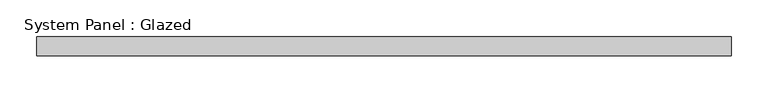
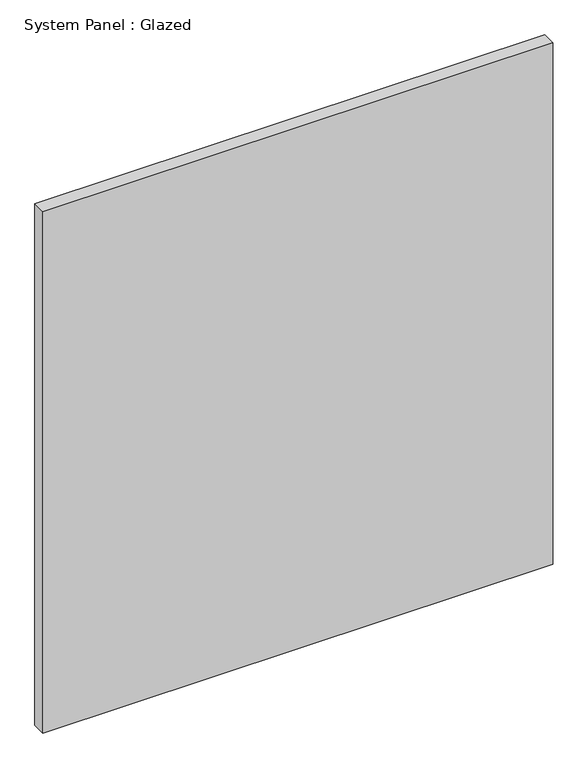
"""IFC4 building model written with IfcOpenShell, lengths in millimetres: plate geometry, System Panel : Glazed."""

import ifcopenshell
import ifcopenshell.guid

model = None  # the IFC model being written
_history = None  # IfcOwnerHistory: only IFC2X3 demands one
_inside = {}  # id of a spatial element -> (the spatial element, [elements in it])
_under = {}  # id of a project, library or spatial element -> (it, [spatial elements below it])
_declared = {}  # id of a project -> (the project, [libraries it declares])
_typed = {}  # id of a type object -> (the type object, [elements of that type])
_made_of = {}  # id of a material, layer set ... -> (it, [elements and type objects made of it])


def new_model(schema):
    """Start an empty IFC model of exactly this schema.

    Asked for "IFC4X3", IfcOpenShell would pick the latest addendum, in which some entities
    have other attributes; the version numbers below select the first issue.
    IFC2X3 requires an IfcOwnerHistory on every rooted entity: one is made here for all.
    """
    global model, _history
    if schema == "IFC4X3":
        model = ifcopenshell.file(schema_version=(4, 3, 0, 0))
    else:
        model = ifcopenshell.file(schema=schema)
    _inside.clear()
    _under.clear()
    _declared.clear()
    _typed.clear()
    _made_of.clear()
    _history = None
    if model.schema == "IFC2X3":
        org = make("IfcOrganization", Name="unknown")
        user = make(
            "IfcPersonAndOrganization",
            ThePerson=make("IfcPerson", FamilyName="unknown"),
            TheOrganization=org,
        )
        app = make(
            "IfcApplication",
            ApplicationDeveloper=org,
            Version="unknown",
            ApplicationFullName="unknown",
            ApplicationIdentifier="unknown",
        )
        _history = make(
            "IfcOwnerHistory",
            OwningUser=user,
            OwningApplication=app,
            ChangeAction="ADDED",
            CreationDate=0,
        )
    return model


def make(cls, **values):
    """One entity of the class cls with the attributes given. An attribute that is None is left unset."""
    return model.create_entity(
        cls, **{name: value for name, value in values.items() if value is not None}
    )


def rooted(cls, **values):
    """An entity with a GlobalId (a new one), such as an element, a storey or a relation."""
    return make(cls, GlobalId=ifcopenshell.guid.new(), OwnerHistory=_history, **values)


def si_unit(unit_type, name, prefix=None):
    """IfcSIUnit, for example si_unit("LENGTHUNIT", "METRE", prefix="MILLI")."""
    return make("IfcSIUnit", UnitType=unit_type, Prefix=prefix, Name=name)


def assignment(units):
    """IfcUnitAssignment: the units of a project."""
    return None if units is None else make("IfcUnitAssignment", Units=units)


def point(xyz):
    """IfcCartesianPoint."""
    return None if xyz is None else make("IfcCartesianPoint", Coordinates=xyz)


def direction(xyz):
    """IfcDirection."""
    return None if xyz is None else make("IfcDirection", DirectionRatios=xyz)


def frame(location, z_axis=None, x_axis=None):
    """IfcAxis2Placement3D, a coordinate frame: its origin and axes. An axis left out is left unset."""
    return make(
        "IfcAxis2Placement3D",
        Location=point(location),
        Axis=direction(z_axis),
        RefDirection=direction(x_axis),
    )


def origin():
    """The frame at (0, 0, 0) with its axes left unset."""
    return frame((0.0, 0.0, 0.0))


def origin_with_axes():
    """The frame at (0, 0, 0) with the z axis (0, 0, 1) and the x axis (1, 0, 0) written out."""
    return frame((0.0, 0.0, 0.0), z_axis=(0.0, 0.0, 1.0), x_axis=(1.0, 0.0, 0.0))


def place(relative_to, where):
    """IfcLocalPlacement: puts the frame where relative to a parent placement (None: the world)."""
    return make(
        "IfcLocalPlacement", PlacementRelTo=relative_to, RelativePlacement=where
    )


def context(
    kind, dimensions, precision=None, world=None, true_north=None, identifier=None
):
    """IfcGeometricRepresentationContext, for example the 3D "Model" context."""
    return make(
        "IfcGeometricRepresentationContext",
        ContextIdentifier=identifier,
        ContextType=kind,
        CoordinateSpaceDimension=dimensions,
        Precision=precision,
        WorldCoordinateSystem=world,
        TrueNorth=true_north,
    )


def project(units=None, contexts=None):
    """IfcProject with its units and contexts."""
    return rooted(
        "IfcProject",
        Name="project",
        RepresentationContexts=contexts,
        UnitsInContext=assignment(units),
    )


def spatial(cls, under=None, at=None, **own):
    """A site, building, storey or space (cls), placed at a placement, below another one or the project."""
    s = rooted(cls, ObjectPlacement=at, **own)
    if under is not None:
        _under.setdefault(under.id(), (under, []))[1].append(s)
    return s


def polyline(points):
    """IfcPolyline through the points."""
    return make("IfcPolyline", Points=[point(p) for p in points])


def outline(outer, holes=None, kind="AREA"):
    """IfcArbitraryClosedProfileDef: a profile drawn as a closed curve; with holes, ...WithVoids."""
    if holes is None:
        return make("IfcArbitraryClosedProfileDef", ProfileType=kind, OuterCurve=outer)
    return make(
        "IfcArbitraryProfileDefWithVoids",
        ProfileType=kind,
        OuterCurve=outer,
        InnerCurves=holes,
    )


def extrude(swept, where, along, depth):
    """IfcExtrudedAreaSolid: the profile swept, set in the frame where, extruded along a direction by depth."""
    return make(
        "IfcExtrudedAreaSolid",
        SweptArea=swept,
        Position=where,
        ExtrudedDirection=direction(along),
        Depth=depth,
    )


def shape(context_of_items, identifier, shape_type, items):
    """IfcShapeRepresentation: the items that make up one representation, for example the "Body"."""
    return make(
        "IfcShapeRepresentation",
        ContextOfItems=context_of_items,
        RepresentationIdentifier=identifier,
        RepresentationType=shape_type,
        Items=items,
    )


def source(mapping_origin, context_of_items, identifier, shape_type, items):
    """IfcRepresentationMap: a shape defined once, which mapped items show again and again."""
    return make(
        "IfcRepresentationMap",
        MappingOrigin=mapping_origin,
        MappedRepresentation=shape(context_of_items, identifier, shape_type, items),
    )


def transform(
    local_origin,
    x_axis=None,
    y_axis=None,
    z_axis=None,
    scale=None,
    scale2=None,
    scale3=None,
    uniform=True,
):
    """IfcCartesianTransformationOperator3D, or its non-uniform kind. x_axis, y_axis, z_axis: its Axis1, 2, 3."""
    if uniform:
        return make(
            "IfcCartesianTransformationOperator3D",
            Axis1=direction(x_axis),
            Axis2=direction(y_axis),
            LocalOrigin=point(local_origin),
            Scale=scale,
            Axis3=direction(z_axis),
        )
    return make(
        "IfcCartesianTransformationOperator3DnonUniform",
        Axis1=direction(x_axis),
        Axis2=direction(y_axis),
        LocalOrigin=point(local_origin),
        Scale=scale,
        Axis3=direction(z_axis),
        Scale2=scale2,
        Scale3=scale3,
    )


def mapped(mapping_source, mapping_target):
    """IfcMappedItem: shows the shape of a source again, moved by a transform."""
    return make(
        "IfcMappedItem", MappingSource=mapping_source, MappingTarget=mapping_target
    )


def made_of(thing, what):
    """Note that an element or type object is made of a material, layer set ...; save() writes the relation."""
    if what is not None:
        _made_of.setdefault(what.id(), (what, []))[1].append(thing)
    return thing


def element(
    cls,
    number,
    at=None,
    inside=None,
    cuts=None,
    type_object=None,
    material=None,
    context=None,
    identifier="Body",
    shape_type=None,
    held_by="IfcProductDefinitionShape",
    body=None,
    shapes=None,
    **own,
):
    """One element of the class cls, such as IfcWall. Its Tag is "e" and its number.

    at: its placement. inside: the storey or other place that contains it. cuts: it is an
    opening in that element (IfcRelVoidsElement). A single representation is given by context,
    identifier, shape_type and body (its items); several are given by shapes. held_by: the class
    of the entity that holds the representations. save() writes the other relations.
    """
    e = rooted(cls, Tag="e%d" % number, ObjectPlacement=at, **own)
    if body is not None:
        shapes = [shape(context, identifier, shape_type, body)]
    if shapes is not None:
        e.Representation = make(held_by, Representations=shapes)
    if inside is not None:
        _inside.setdefault(inside.id(), (inside, []))[1].append(e)
    if cuts is not None:
        rooted(
            "IfcRelVoidsElement", RelatingBuildingElement=cuts, RelatedOpeningElement=e
        )
    if type_object is not None:
        _typed.setdefault(type_object.id(), (type_object, []))[1].append(e)
    return made_of(e, material)


def aggregate(whole, parts):
    """IfcRelAggregates: a whole, such as a stair, and the parts it consists of."""
    return rooted("IfcRelAggregates", RelatingObject=whole, RelatedObjects=parts)


def save(model, path):
    """Write the relations noted so far, then the file.

    IfcRelAggregates (storeys below a building ...), IfcRelContainedInSpatialStructure (elements
    in a storey), IfcRelDefinesByType, IfcRelAssociatesMaterial and IfcRelDeclares: one each for
    every whole, place, type object, material and project.
    """
    for whole, parts in _under.values():
        aggregate(whole, parts)
    for where, things in _inside.values():
        rooted(
            "IfcRelContainedInSpatialStructure",
            RelatedElements=things,
            RelatingStructure=where,
        )
    for kind, things in _typed.values():
        rooted("IfcRelDefinesByType", RelatedObjects=things, RelatingType=kind)
    for what, things in _made_of.values():
        rooted("IfcRelAssociatesMaterial", RelatedObjects=things, RelatingMaterial=what)
    for by, libraries in _declared.values():
        rooted("IfcRelDeclares", RelatingContext=by, RelatedDefinitions=libraries)
    model.write(path)


def system_panel_glazed_0a26f581(model_context):
    return source(origin(), model_context, "Body", "SweptSolid", [
        extrude(outline(polyline([(469.9, -12.7), (-469.9, -12.7), (-469.9, 12.7), (469.9, 12.7), (469.9, -12.7)])), origin_with_axes(), (0.0, 0.0, 1.0), 1016.0),
    ])


if __name__ == "__main__":
    model = new_model("IFC4")
    model_context = context("Model", 3, world=origin())
    ifc_project = project(units=[si_unit("LENGTHUNIT", "METRE", prefix="MILLI")], contexts=[model_context])
    site = spatial("IfcSite", under=ifc_project)
    building = spatial("IfcBuilding", under=site)
    placement = place(None, origin())
    system_panel_glazed_shape = system_panel_glazed_0a26f581(model_context)
    element("IfcPlate", 1, ObjectType="System Panel : Glazed", at=placement, inside=building, context=model_context, shape_type="MappedRepresentation", body=[
        mapped(system_panel_glazed_shape, transform((0.0, 0.0, 0.0), x_axis=(1.0, 0.0, 0.0), y_axis=(0.0, 1.0, 0.0), z_axis=(0.0, 0.0, 1.0))),
    ])
    save(model, "model.ifc")
